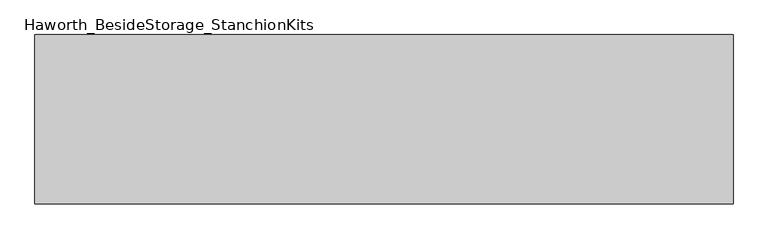
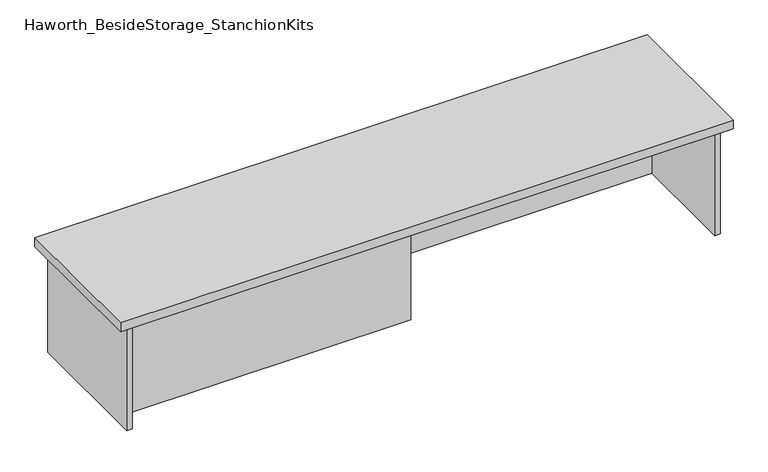
"""IFC4 building model written with IfcOpenShell, lengths in millimetres: furniture geometry, Haworth_BesideStorage_StanchionKits."""

from ifc_helpers import new_model, si_unit, frame, origin, place, context, project, spatial, polyline, outline, extrude, source, transform, mapped, element, save


def haworth_besidestorage_stanchionkits_9b9e60af(model_context):
    return source(origin(), model_context, "Body", "SweptSolid", [
        extrude(outline(polyline([(1000.125, 0.0), (1000.125, -406.4), (-676.275, -406.4), (-676.275, 0.0), (1000.125, 0.0)])), frame((0.0, 0.0, 736.6), z_axis=(0.0, 0.0, 1.0), x_axis=(1.0, 0.0, 0.0)), (0.0, 0.0, 1.0), 25.4),
        extrude(outline(polyline([(161.925, -76.2), (958.85, -76.2), (958.85, -92.075), (161.925, -92.075), (161.925, -76.2)])), frame((0.0, 0.0, 431.8), z_axis=(0.0, 0.0, 1.0), x_axis=(1.0, 0.0, 0.0)), (0.0, 0.0, 1.0), 304.8),
        extrude(outline(polyline([(161.925, -314.325), (161.925, -330.2), (-635.0, -330.2), (-635.0, -314.325), (161.925, -314.325)])), frame((0.0, 0.0, 431.8), z_axis=(0.0, 0.0, 1.0), x_axis=(1.0, 0.0, 0.0)), (0.0, 0.0, 1.0), 304.8),
        extrude(outline(polyline([(974.725, -390.525), (958.85, -390.525), (958.85, -15.875), (974.725, -15.875), (974.725, -390.525)])), frame((0.0, 0.0, 431.8), z_axis=(0.0, 0.0, 1.0), x_axis=(1.0, 0.0, 0.0)), (0.0, 0.0, 1.0), 304.8),
        extrude(outline(polyline([(-635.0, -390.525), (-650.875, -390.525), (-650.875, -15.875), (-635.0, -15.875), (-635.0, -390.525)])), frame((0.0, 0.0, 431.8), z_axis=(0.0, 0.0, 1.0), x_axis=(1.0, 0.0, 0.0)), (0.0, 0.0, 1.0), 304.8),
    ])


if __name__ == "__main__":
    model = new_model("IFC4")
    model_context = context("Model", 3, world=origin())
    ifc_project = project(units=[si_unit("LENGTHUNIT", "METRE", prefix="MILLI")], contexts=[model_context])
    site = spatial("IfcSite", under=ifc_project)
    building = spatial("IfcBuilding", under=site)
    placement = place(None, origin())
    haworth_besidestorage_stanchionkits_shape = haworth_besidestorage_stanchionkits_9b9e60af(model_context)
    element("IfcFurniture", 1, ObjectType="Haworth_BesideStorage_StanchionKits", at=placement, inside=building, context=model_context, shape_type="MappedRepresentation", body=[
        mapped(haworth_besidestorage_stanchionkits_shape, transform((0.0, 0.0, 0.0), x_axis=(1.0, 0.0, 0.0), y_axis=(0.0, 1.0, 0.0), z_axis=(0.0, 0.0, 1.0))),
    ])
    save(model, "model.ifc")
